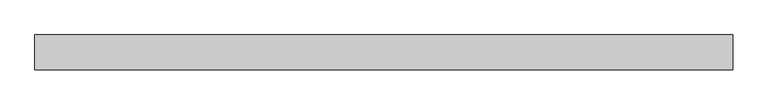
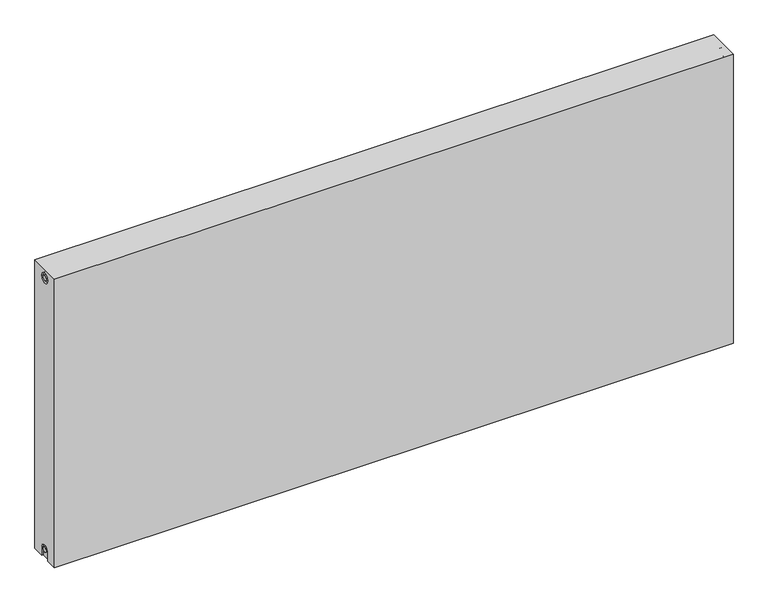
"""IFC4 building model written with IfcOpenShell, lengths in millimetres: proxy geometry."""

from ifc_helpers import new_model, si_unit, frame, origin, place, context, project, spatial, polyline, circle_curve, source, transform, mapped, element, save
from ifc_brep_helpers import plane_surface, cylinder_surface, revolved_surface, advanced_brep


def mechanical_equipment_a856b6ed(model_context):
    return source(origin(), model_context, "Body", "AdvancedBrep", [
        advanced_brep(
        [(2000.0, 50.0, 900.0), (2000.0, 50.0, 0.0), (0.0, 50.0, 0.0), (0.0, 50.0, 900.0), (2000.0, -50.0, 900.0), (0.0, -50.0, 900.0), (0.0, -50.0, 0.0), (2000.0, -50.0, 0.0), (2000.0, -15.0, 0.0), (2000.0, -15.0, 27.0), (2000.0, 15.0, 27.0), (2000.0, 15.0, 0.0), (2000.0, 14.7242393, 873.0), (2000.0, -15.2757607, 873.0), (2000.0, -7.5, 27.0), (2000.0, 7.5, 27.0), (2000.0, 7.2242393, 873.0), (2000.0, -7.7757607, 873.0), (1995.0, 15.0, 0.0), (1995.0, -15.0, 0.0), (0.0, -15.0, 0.0), (5.0, -15.0, 0.0), (5.0, 15.0, 0.0), (0.0, 15.0, 0.0), (0.0, 15.0, 27.0), (0.0, -15.0, 27.0), (0.0, -15.2757607, 873.0), (0.0, 14.7242393, 873.0), (0.0, -7.7757607, 873.0), (0.0, 7.2242393, 873.0), (0.0, 7.5682726, 27.0), (0.0, -7.4317274, 27.0), (5.0, -15.2757607, 873.0), (5.0, 14.7242393, 873.0), (5.0, -7.7757607, 873.0), (5.0, 7.2242393, 873.0), (5.0, -15.0, 27.0), (5.0, 15.0, 27.0), (5.0, -7.4317274, 27.0), (5.0, 7.5682726, 27.0), (1995.0, 15.0, 27.0), (1995.0, -15.0, 27.0), (1995.0, -7.5, 27.0), (1995.0, 7.5, 27.0), (1995.0, -15.2757607, 873.0), (1995.0, 14.7242393, 873.0), (1995.0, -7.7757607, 873.0), (1995.0, 7.2242393, 873.0)],
        [
            (0, 1),
            (1, 2),
            (2, 3),
            (3, 0),
            (4, 5),
            (5, 6),
            (6, 7),
            (7, 4),
            (0, 4),
            (7, 8),
            (8, 9),
            (9, 10, circle_curve(frame((2000.0, 0.0, 27.0), z_axis=(-1.0, 0.0, 0.0), x_axis=(0.0, 1.0, 0.0)), 15.0)),
            (10, 11),
            (11, 1),
            (12, 13, circle_curve(frame((2000.0, -0.2757607, 873.0), z_axis=(-1.0, 0.0, 0.0), x_axis=(0.0, 1.0, 0.0)), 15.0)),
            (13, 12, circle_curve(frame((2000.0, -0.2757607, 873.0), z_axis=(-1.0, 0.0, 0.0), x_axis=(0.0, 1.0, 0.0)), 15.0)),
            (14, 15, circle_curve(frame((2000.0, 0.0, 27.0), z_axis=(1.0, 0.0, 0.0), x_axis=(0.0, 1.0, 0.0)), 7.5)),
            (15, 14, circle_curve(frame((2000.0, 0.0, 27.0), z_axis=(1.0, 0.0, 0.0), x_axis=(0.0, 1.0, 0.0)), 7.5)),
            (16, 17, circle_curve(frame((2000.0, -0.2757607, 873.0), z_axis=(1.0, 0.0, 0.0), x_axis=(0.0, 1.0, 0.0)), 7.5)),
            (17, 16, circle_curve(frame((2000.0, -0.2757607, 873.0), z_axis=(1.0, 0.0, 0.0), x_axis=(0.0, 1.0, 0.0)), 7.5)),
            (11, 18),
            (18, 19),
            (19, 8),
            (6, 20),
            (20, 21),
            (21, 22),
            (22, 23),
            (23, 2),
            (23, 24),
            (24, 25, circle_curve(frame((0.0, 0.0, 27.0), z_axis=(1.0, 0.0, 0.0), x_axis=(0.0, 1.0, 0.0)), 15.0)),
            (25, 20),
            (5, 3),
            (26, 27, circle_curve(frame((0.0, -0.2757607, 873.0), z_axis=(1.0, 0.0, 0.0), x_axis=(0.0, 1.0, 0.0)), 15.0)),
            (27, 26, circle_curve(frame((0.0, -0.2757607, 873.0), z_axis=(1.0, 0.0, 0.0), x_axis=(0.0, 1.0, 0.0)), 15.0)),
            (28, 29, circle_curve(frame((0.0, -0.2757607, 873.0), z_axis=(-1.0, 0.0, 0.0), x_axis=(0.0, 1.0, 0.0)), 7.5)),
            (29, 28, circle_curve(frame((0.0, -0.2757607, 873.0), z_axis=(-1.0, 0.0, 0.0), x_axis=(0.0, 1.0, 0.0)), 7.5)),
            (30, 31, circle_curve(frame((0.0, 0.0682726, 27.0), z_axis=(-1.0, 0.0, 0.0), x_axis=(0.0, 1.0, 0.0)), 7.5)),
            (31, 30, circle_curve(frame((0.0, 0.0682726, 27.0), z_axis=(-1.0, 0.0, 0.0), x_axis=(0.0, 1.0, 0.0)), 7.5)),
            (32, 33, circle_curve(frame((5.0, -0.2757607, 873.0), z_axis=(-1.0, 0.0, 0.0), x_axis=(0.0, 1.0, 0.0)), 15.0)),
            (33, 32, circle_curve(frame((5.0, -0.2757607, 873.0), z_axis=(-1.0, 0.0, 0.0), x_axis=(0.0, 1.0, 0.0)), 15.0)),
            (34, 35, circle_curve(frame((5.0, -0.2757607, 873.0), z_axis=(1.0, 0.0, 0.0), x_axis=(0.0, 1.0, 0.0)), 7.5)),
            (35, 34, circle_curve(frame((5.0, -0.2757607, 873.0), z_axis=(1.0, 0.0, 0.0), x_axis=(0.0, 1.0, 0.0)), 7.5)),
            (33, 27),
            (26, 32),
            (35, 29),
            (28, 34),
            (21, 36),
            (36, 37, circle_curve(frame((5.0, 0.0, 27.0), z_axis=(-1.0, 0.0, 0.0), x_axis=(0.0, 1.0, 0.0)), 15.0)),
            (37, 22),
            (38, 39, circle_curve(frame((5.0, 0.0682726, 27.0), z_axis=(1.0, 0.0, 0.0), x_axis=(0.0, 1.0, 0.0)), 7.5)),
            (39, 38, circle_curve(frame((5.0, 0.0682726, 27.0), z_axis=(1.0, 0.0, 0.0), x_axis=(0.0, 1.0, 0.0)), 7.5)),
            (38, 31),
            (30, 39),
            (37, 24),
            (36, 25),
            (18, 40),
            (40, 41, circle_curve(frame((1995.0, 0.0, 27.0), z_axis=(1.0, 0.0, 0.0), x_axis=(0.0, 1.0, 0.0)), 15.0)),
            (41, 19),
            (42, 43, circle_curve(frame((1995.0, 0.0, 27.0), z_axis=(-1.0, 0.0, 0.0), x_axis=(0.0, 1.0, 0.0)), 7.5)),
            (43, 42, circle_curve(frame((1995.0, 0.0, 27.0), z_axis=(-1.0, 0.0, 0.0), x_axis=(0.0, 1.0, 0.0)), 7.5)),
            (43, 15),
            (14, 42),
            (10, 40),
            (9, 41),
            (44, 45, circle_curve(frame((1995.0, -0.2757607, 873.0), z_axis=(1.0, 0.0, 0.0), x_axis=(0.0, 1.0, 0.0)), 15.0)),
            (45, 44, circle_curve(frame((1995.0, -0.2757607, 873.0), z_axis=(1.0, 0.0, 0.0), x_axis=(0.0, 1.0, 0.0)), 15.0)),
            (46, 47, circle_curve(frame((1995.0, -0.2757607, 873.0), z_axis=(-1.0, 0.0, 0.0), x_axis=(0.0, 1.0, 0.0)), 7.5)),
            (47, 46, circle_curve(frame((1995.0, -0.2757607, 873.0), z_axis=(-1.0, 0.0, 0.0), x_axis=(0.0, 1.0, 0.0)), 7.5)),
            (44, 13),
            (12, 45),
            (46, 17),
            (16, 47),
        ],
        [
            plane_surface(frame((2000.0, 50.0, 900.0), z_axis=(0.0, 1.0, 0.0), x_axis=(0.0, 0.0, -1.0))),
            plane_surface(frame((2000.0, -50.0, 900.0), z_axis=(0.0, -1.0, 0.0), x_axis=(0.0, 0.0, 1.0))),
            plane_surface(frame((2000.0, 50.0, 900.0), z_axis=(1.0, 0.0, 0.0), x_axis=(0.0, -1.0, 0.0))),
            plane_surface(frame((2000.0, 50.0, 0.0), z_axis=(0.0, 0.0, -1.0), x_axis=(0.0, -1.0, 0.0))),
            plane_surface(frame((0.0, 50.0, 0.0), z_axis=(-1.0, 0.0, 0.0), x_axis=(0.0, -1.0, 0.0))),
            plane_surface(frame((0.0, 50.0, 900.0), z_axis=(0.0, 0.0, 1.0), x_axis=(0.0, -1.0, 0.0))),
            plane_surface(frame((5.0, 14.7242393, 873.0), z_axis=(-1.0, 0.0, 0.0), x_axis=(0.0, 0.0, 1.0))),
            revolved_surface(polyline([(5.0, 14.7242393, 873.0), (0.0, 14.7242393, 873.0)]), (0.0, -0.2757607, 873.0), (1.0, 0.0, 0.0)),
            cylinder_surface(frame((0.0, -0.2757607, 873.0), z_axis=(-1.0, 0.0, 0.0), x_axis=(0.0, 1.0, 0.0)), 7.5),
            plane_surface(frame((5.0, 7.5682726, 27.0), z_axis=(-1.0, 0.0, 0.0), x_axis=(0.0, 0.0, -1.0))),
            cylinder_surface(frame((0.0, 0.0682726, 27.0), z_axis=(-1.0, 0.0, 0.0), x_axis=(0.0, 1.0, 0.0)), 7.5),
            plane_surface(frame((5.0, 15.0, 0.0), z_axis=(0.0, -1.0, 0.0), x_axis=(-1.0, 0.0, 0.0))),
            revolved_surface(polyline([(5.0, 15.0, 27.0), (0.0, 15.0, 27.0)]), (0.0, 0.0, 27.0), (1.0, 0.0, 0.0)),
            plane_surface(frame((5.0, -15.0, 27.0), z_axis=(0.0, 1.0, 0.0), x_axis=(-1.0, 0.0, 0.0))),
            plane_surface(frame((1995.0, 7.5, 27.0), z_axis=(1.0, 0.0, 0.0), x_axis=(0.0, 0.0, 1.0))),
            cylinder_surface(frame((1995.0, 0.0, 27.0), z_axis=(-1.0, 0.0, 0.0), x_axis=(0.0, 1.0, 0.0)), 7.5),
            plane_surface(frame((2000.0, 15.0, 0.0), z_axis=(0.0, -1.0, 0.0), x_axis=(-1.0, 0.0, 0.0))),
            revolved_surface(polyline([(2000.0, 15.0, 27.0), (1995.0, 15.0, 27.0)]), (895.0, 0.0, 27.0), (1.0, 0.0, 0.0)),
            plane_surface(frame((2000.0, -15.0, 27.0), z_axis=(0.0, 1.0, 0.0), x_axis=(-1.0, 0.0, 0.0))),
            plane_surface(frame((1995.0, 14.7242393, 873.0), z_axis=(1.0, 0.0, 0.0), x_axis=(0.0, 0.0, -1.0))),
            revolved_surface(polyline([(2000.0, 14.7242393, 873.0), (1995.0, 14.7242393, 873.0)]), (1995.0, -0.2757607, 873.0), (1.0, 0.0, 0.0)),
            cylinder_surface(frame((895.0, -0.2757607, 873.0), z_axis=(-1.0, 0.0, 0.0), x_axis=(0.0, 1.0, 0.0)), 7.5),
        ],
        [
            (0, [[1, 2, 3, 4]]),
            (1, [[5, 6, 7, 8]]),
            (2, [[-1, 9, -8, 10, 11, 12, 13, 14], [15, 16]]),
            (2, [[17, 18]]),
            (2, [[19, 20]]),
            (3, [[-2, -14, 21, 22, 23, -10, -7, 24, 25, 26, 27, 28]]),
            (4, [[-3, -28, 29, 30, 31, -24, -6, 32], [33, 34]]),
            (4, [[35, 36]]),
            (4, [[37, 38]]),
            (5, [[-4, -32, -5, -9]]),
            (6, [[39, 40], [41, 42]]),
            (7, [[-40, 43, -33, 44]]),
            (7, [[-39, -44, -34, -43]]),
            (8, [[-42, 45, -35, 46]]),
            (8, [[-41, -46, -36, -45]]),
            (9, [[47, 48, 49, -26], [50, 51]]),
            (10, [[-50, 52, -37, 53]]),
            (10, [[-51, -53, -38, -52]]),
            (11, [[-49, 54, -29, -27]]),
            (12, [[-48, 55, -30, -54]]),
            (13, [[-47, -25, -31, -55]]),
            (14, [[56, 57, 58, -22], [59, 60]]),
            (15, [[-60, 61, -17, 62]]),
            (15, [[-59, -62, -18, -61]]),
            (16, [[-56, -21, -13, 63]]),
            (17, [[-57, -63, -12, 64]]),
            (18, [[-58, -64, -11, -23]]),
            (19, [[65, 66], [67, 68]]),
            (20, [[-65, 69, -15, 70]]),
            (20, [[-66, -70, -16, -69]]),
            (21, [[-67, 71, -19, 72]]),
            (21, [[-68, -72, -20, -71]]),
        ],
    ),
    ])


if __name__ == "__main__":
    model = new_model("IFC4")
    model_context = context("Model", 3, world=origin())
    ifc_project = project(units=[si_unit("LENGTHUNIT", "METRE", prefix="MILLI")], contexts=[model_context])
    site = spatial("IfcSite", under=ifc_project)
    building = spatial("IfcBuilding", under=site)
    placement = place(None, origin())
    mechanical_equipment_shape = mechanical_equipment_a856b6ed(model_context)
    element("IfcBuildingElementProxy", 1, Name="Mechanical Equipment", at=placement, inside=building, context=model_context, shape_type="MappedRepresentation", body=[
        mapped(mechanical_equipment_shape, transform((0.0, 0.0, 0.0), x_axis=(1.0, 0.0, 0.0), y_axis=(0.0, 1.0, 0.0), z_axis=(0.0, 0.0, 1.0))),
    ])
    save(model, "model.ifc")
